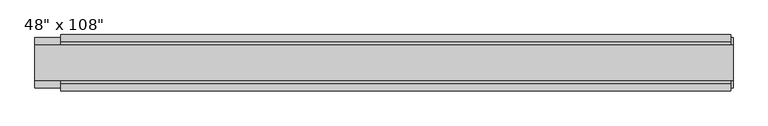
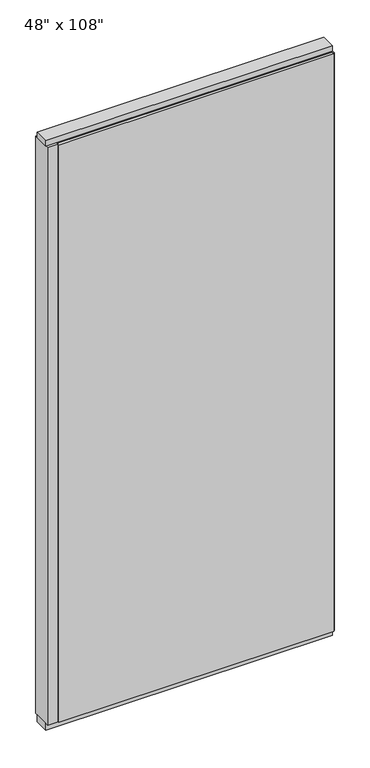
"""IFC4 building model written with IfcOpenShell, lengths in millimetres: furniture geometry."""

from ifc_helpers import new_model, si_unit, frame, origin, origin_with_axes, place, context, project, spatial, polyline, outline, extrude, source, transform, mapped, element, save


def furniture_ed473860(model_context):
    return source(origin(), model_context, "Body", "SweptSolid", [
        extrude(outline(polyline([(545.6264771, 46.2822784), (545.6264771, 33.5822784), (-665.6995229, 33.5822784), (-665.6995229, 46.2822784), (545.6264771, 46.2822784)])), frame((0.0, 0.0, 31.75), z_axis=(0.0, 0.0, 1.0), x_axis=(1.0, 0.0, 0.0)), (0.0, 0.0, 1.0), 2686.05),
        extrude(outline(polyline([(545.6264771, -55.3177216), (-665.6995229, -55.3177216), (-665.6995229, -42.6177216), (545.6264771, -42.6177216), (545.6264771, -55.3177216)])), frame((0.0, 0.0, 31.75), z_axis=(0.0, 0.0, 1.0), x_axis=(1.0, 0.0, 0.0)), (0.0, 0.0, 1.0), 2686.05),
        extrude(outline(polyline([(-42.6177216, 2681.478), (-42.6177216, 2717.8), (33.5822784, 2717.8), (33.5822784, 2681.478), (28.6292784, 2681.478), (28.6292784, 2676.525), (-37.6647216, 2676.525), (-37.6647216, 2681.478), (-42.6177216, 2681.478)])), frame((-665.6995229, 0.0, 0.0), z_axis=(1.0, 0.0, 0.0), x_axis=(0.0, 1.0, 0.0)), (0.0, 0.0, 1.0), 1211.326),
        extrude(outline(polyline([(549.5634771, 27.9942784), (549.5634771, -37.0297216), (-712.5625229, -37.0297216), (-712.5625229, 27.9942784), (549.5634771, 27.9942784)])), origin_with_axes(), (0.0, 0.0, 1.0), 31.75),
        extrude(outline(polyline([(-712.5625229, -37.0297216), (-712.5625229, 27.9942784), (549.5634771, 27.9942784), (549.5634771, -37.0297216), (-712.5625229, -37.0297216)])), frame((0.0, 0.0, 2717.8), z_axis=(0.0, 0.0, 1.0), x_axis=(1.0, 0.0, 0.0)), (0.0, 0.0, 1.0), 25.4),
        extrude(outline(polyline([(549.5634771, -50.3647216), (545.6264771, -50.3647216), (545.6264771, 41.3292784), (549.5634771, 41.3292784), (549.5634771, -50.3647216)])), frame((0.0, 0.0, 31.75), z_axis=(0.0, 0.0, 1.0), x_axis=(1.0, 0.0, 0.0)), (0.0, 0.0, 1.0), 2686.05),
        extrude(outline(polyline([(-712.5625229, -50.3647216), (-712.5625229, 41.3292784), (-665.6995229, 41.3292784), (-665.6995229, -50.3647216), (-712.5625229, -50.3647216)])), frame((0.0, 0.0, 31.75), z_axis=(0.0, 0.0, 1.0), x_axis=(1.0, 0.0, 0.0)), (0.0, 0.0, 1.0), 2686.05),
    ])


if __name__ == "__main__":
    model = new_model("IFC4")
    model_context = context("Model", 3, world=origin())
    ifc_project = project(units=[si_unit("LENGTHUNIT", "METRE", prefix="MILLI")], contexts=[model_context])
    site = spatial("IfcSite", under=ifc_project)
    building = spatial("IfcBuilding", under=site)
    placement = place(None, origin())
    furniture_shape = furniture_ed473860(model_context)
    element("IfcFurniture", 1, ObjectType="48\" x 108\"", at=placement, inside=building, context=model_context, shape_type="MappedRepresentation", body=[
        mapped(furniture_shape, transform((0.0, 0.0, 0.0), x_axis=(1.0, 0.0, 0.0), y_axis=(0.0, 1.0, 0.0), z_axis=(0.0, 0.0, 1.0))),
    ])
    save(model, "model.ifc")
